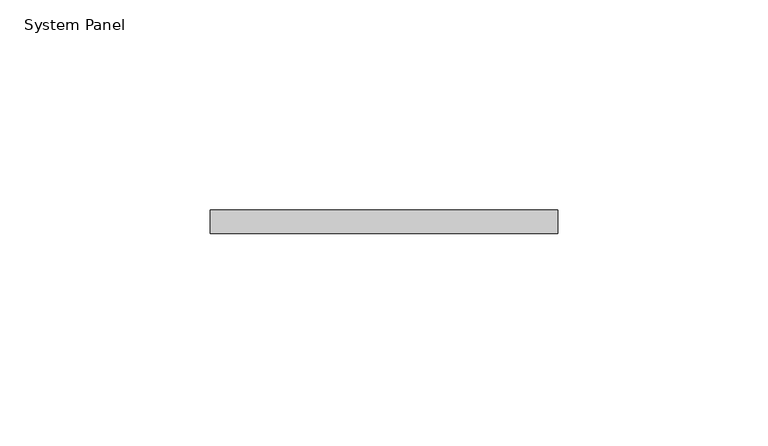
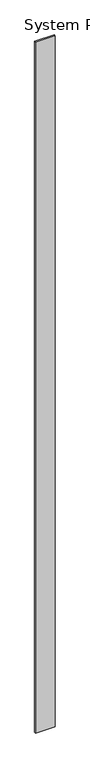
"""IFC4 building model written with IfcOpenShell, lengths in millimetres: plate geometry, System Panel."""

from ifc_helpers import new_model, si_unit, origin, origin_with_axes, place, context, project, spatial, polyline, outline, extrude, source, transform, mapped, element, save


def system_panel_cf0bbc0c(model_context):
    return source(origin(), model_context, "Body", "SweptSolid", [
        extrude(outline(polyline([(41.275, -5.55625), (-41.275, -5.55625), (-41.275, 0.0), (41.275, 0.0), (41.275, -5.55625)])), origin_with_axes(), (0.0, 0.0, 1.0), 3048.0),
    ])


if __name__ == "__main__":
    model = new_model("IFC4")
    model_context = context("Model", 3, world=origin())
    ifc_project = project(units=[si_unit("LENGTHUNIT", "METRE", prefix="MILLI")], contexts=[model_context])
    site = spatial("IfcSite", under=ifc_project)
    building = spatial("IfcBuilding", under=site)
    placement = place(None, origin())
    system_panel_shape = system_panel_cf0bbc0c(model_context)
    element("IfcPlate", 1, ObjectType="System Panel", at=placement, inside=building, context=model_context, shape_type="MappedRepresentation", body=[
        mapped(system_panel_shape, transform((0.0, 0.0, 0.0), x_axis=(1.0, 0.0, 0.0), y_axis=(0.0, 1.0, 0.0), z_axis=(0.0, 0.0, 1.0))),
    ])
    save(model, "model.ifc")
